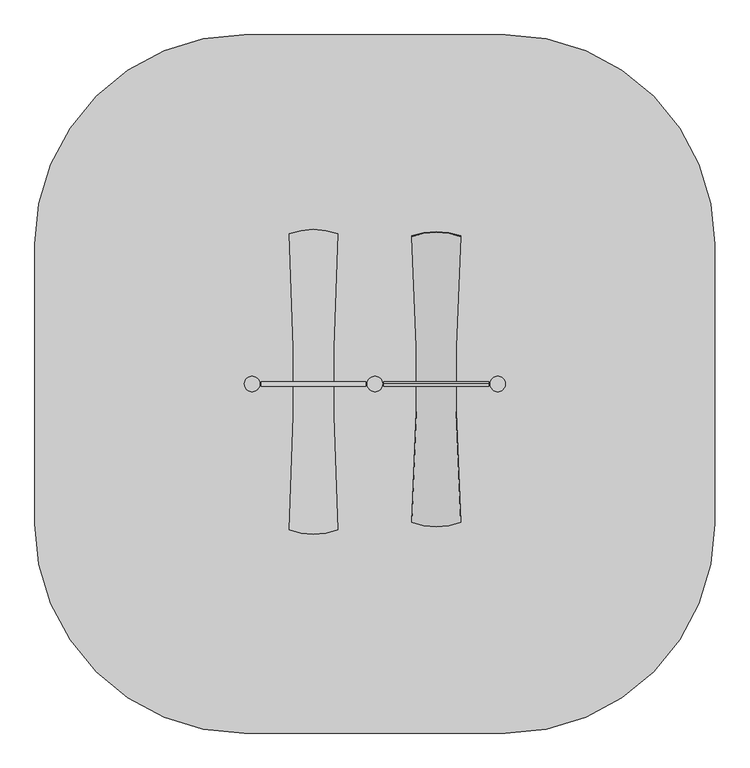
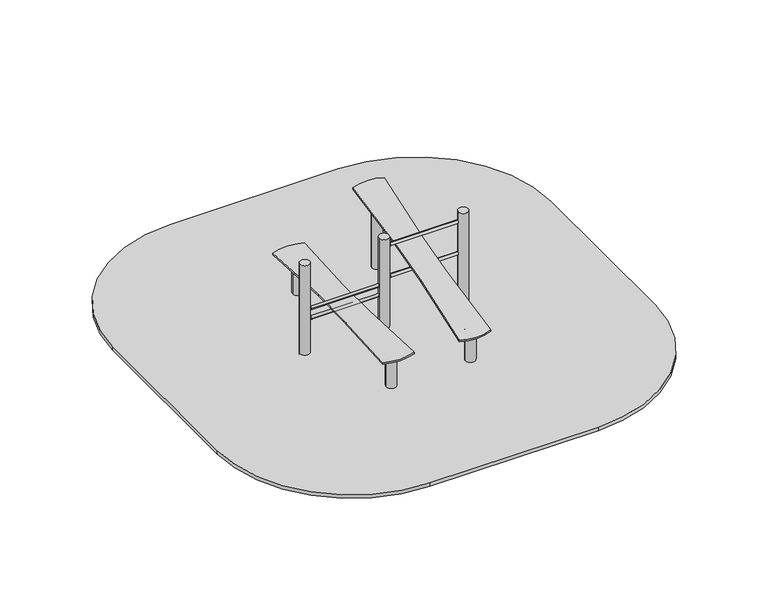
"""IFC4 building model written with IfcOpenShell, lengths in millimetres: furniture geometry."""

from ifc_helpers import new_model, si_unit, point, frame, frame_2d, origin, place, context, project, spatial, polyline, circle_curve, ellipse_curve, trimmed, segment, composite_curve, outline, extrude, source, transform, mapped, element, save
from ifc_brep_helpers import plane_surface, cylinder_surface, extruded_surface, advanced_brep


def furniture_f48595fb(model_context):
    return source(origin(), model_context, "Body", "SolidModel", [
        advanced_brep(
        [(1225.5, 277.4599432, -225.0), (1213.0, 277.4599432, -225.0), (1200.5, 277.4599432, -225.0), (1140.5, 217.4599432, -225.0), (1140.5, 192.4599432, -225.0), (1200.5, 132.4599432, -225.0), (1225.5, 132.4599432, -225.0), (1285.5, 192.4599432, -225.0), (1285.5, 217.4599432, -225.0), (1303.0, 355.0, -460.0), (1213.0, 355.0, -460.0), (1123.0, 355.0, -460.0), (1063.0, 295.0, -460.0), (1063.0, 115.0, -460.0), (1123.0, 55.0, -460.0), (1303.0, 55.0, -460.0), (1363.0, 115.0, -460.0), (1363.0, 295.0, -460.0), (1303.0, 355.0, -600.0), (1363.0, 295.0, -600.0), (1363.0, 115.0, -600.0), (1303.0, 55.0, -600.0), (1123.0, 55.0, -600.0), (1063.0, 115.0, -600.0), (1063.0, 295.0, -600.0), (1123.0, 355.0, -600.0), (1213.0, 355.0, -600.0)],
        [
            (0, 1),
            (1, 2),
            (2, 3, circle_curve(frame((1200.5, 217.4599432, -225.0), z_axis=(0.0, 0.0, 1.0), x_axis=(1.0, 0.0, 0.0)), 60.0)),
            (3, 4),
            (4, 5, circle_curve(frame((1200.5, 192.4599432, -225.0), z_axis=(0.0, 0.0, 1.0), x_axis=(1.0, 0.0, 0.0)), 60.0)),
            (5, 6),
            (6, 7, circle_curve(frame((1225.5, 192.4599432, -225.0), z_axis=(0.0, 0.0, 1.0), x_axis=(1.0, 0.0, 0.0)), 60.0)),
            (7, 8),
            (8, 0, circle_curve(frame((1225.5, 217.4599432, -225.0), z_axis=(0.0, 0.0, 1.0), x_axis=(1.0, 0.0, 0.0)), 60.0)),
            (0, 9),
            (9, 10),
            (10, 1),
            (10, 11),
            (11, 2),
            (11, 12, circle_curve(frame((1123.0, 295.0, -460.0), z_axis=(0.0, 0.0, 1.0), x_axis=(1.0, 0.0, 0.0)), 60.0)),
            (12, 3),
            (12, 13),
            (13, 4),
            (13, 14, circle_curve(frame((1123.0, 115.0, -460.0), z_axis=(0.0, 0.0, 1.0), x_axis=(1.0, 0.0, 0.0)), 60.0)),
            (14, 5),
            (14, 15),
            (15, 6),
            (15, 16, circle_curve(frame((1303.0, 115.0, -460.0), z_axis=(0.0, 0.0, 1.0), x_axis=(1.0, 0.0, 0.0)), 60.0)),
            (16, 7),
            (16, 17),
            (17, 8),
            (17, 9, circle_curve(frame((1303.0, 295.0, -460.0), z_axis=(0.0, 0.0, 1.0), x_axis=(1.0, 0.0, 0.0)), 60.0)),
            (18, 19, circle_curve(frame((1303.0, 295.0, -600.0), z_axis=(0.0, 0.0, -1.0), x_axis=(1.0, 0.0, 0.0)), 60.0)),
            (19, 20),
            (20, 21, circle_curve(frame((1303.0, 115.0, -600.0), z_axis=(0.0, 0.0, -1.0), x_axis=(1.0, 0.0, 0.0)), 60.0)),
            (21, 22),
            (22, 23, circle_curve(frame((1123.0, 115.0, -600.0), z_axis=(0.0, 0.0, -1.0), x_axis=(1.0, 0.0, 0.0)), 60.0)),
            (23, 24),
            (24, 25, circle_curve(frame((1123.0, 295.0, -600.0), z_axis=(0.0, 0.0, -1.0), x_axis=(1.0, 0.0, 0.0)), 60.0)),
            (25, 26),
            (26, 18),
            (26, 10),
            (9, 18),
            (25, 11),
            (23, 13),
            (12, 24),
            (21, 15),
            (14, 22),
            (19, 17),
            (16, 20),
        ],
        [
            plane_surface(frame((1213.0, 213.0154988, -225.0), z_axis=(0.0, 0.0, 1.0), x_axis=(-1.0, 0.0, 0.0))),
            plane_surface(frame((1219.25, 277.4599432, -225.0), z_axis=(0.0, 0.9496406059136844, 0.3133412191204512), x_axis=(1.0, 0.0, 0.0))),
            plane_surface(frame((1206.75, 277.4599432, -225.0), z_axis=(0.0, 0.9496406059136843, 0.3133412191204512), x_axis=(1.0, 0.0, 0.0))),
            extruded_surface(trimmed(circle_curve(frame((1200.5, 217.4599432, -225.0), z_axis=(0.0, 0.0, -1.0), x_axis=(1.0, 0.0, 0.0)), 60.0), [point((1140.5, 217.4599432, -225.0))], [point((1200.5, 277.4599432, -225.0))], True, "CARTESIAN"), (-77.5, 77.5400568, -235.0), 259.3139225119763),
            plane_surface(frame((1140.5, 204.9599432, -225.0), z_axis=(-0.9496887635303409, 0.0, 0.31319523052596476), x_axis=(0.0, 1.0, 0.0))),
            extruded_surface(trimmed(circle_curve(frame((1200.5, 192.4599432, -225.0), z_axis=(0.0, 0.0, -1.0), x_axis=(1.0, 0.0, 0.0)), 60.0), [point((1200.5, 132.4599432, -225.0))], [point((1140.5, 192.4599432, -225.0))], True, "CARTESIAN"), (-77.5, -77.4599432, -235.0), 259.2899782107809),
            plane_surface(frame((1213.0, 132.4599432, -225.0), z_axis=(0.0, -0.9497369035840961, 0.3130492197250991), x_axis=(-1.0, 0.0, 0.0))),
            extruded_surface(trimmed(circle_curve(frame((1225.5, 192.4599432, -225.0), z_axis=(0.0, 0.0, -1.0), x_axis=(1.0, 0.0, 0.0)), 60.0), [point((1285.5, 192.4599432, -225.0))], [point((1225.5, 132.4599432, -225.0))], True, "CARTESIAN"), (77.5, -77.4599432, -235.0), 259.2899782107809),
            plane_surface(frame((1285.5, 204.9599432, -225.0), z_axis=(0.9496887635303416, 0.0, 0.3131952305259627), x_axis=(0.0, -1.0, 0.0))),
            extruded_surface(trimmed(circle_curve(frame((1225.5, 217.4599432, -225.0), z_axis=(0.0, 0.0, -1.0), x_axis=(1.0, 0.0, 0.0)), 60.0), [point((1225.5, 277.4599432, -225.0))], [point((1285.5, 217.4599432, -225.0))], True, "CARTESIAN"), (77.5, 77.5400568, -235.0), 259.3139225119763),
            plane_surface(frame((1213.0, 355.0, -600.0), z_axis=(0.0, 0.0, -1.0), x_axis=(1.0, 0.0, 0.0))),
            plane_surface(frame((1303.0, 355.0, -460.0), z_axis=(0.0, 1.0, 0.0), x_axis=(0.0, 0.0, -1.0))),
            plane_surface(frame((1213.0, 355.0, -460.0), z_axis=(0.0, 1.0, 0.0), x_axis=(0.0, 0.0, -1.0))),
            plane_surface(frame((1063.0, 295.0, -460.0), z_axis=(-1.0, 0.0, 0.0), x_axis=(0.0, 0.0, -1.0))),
            plane_surface(frame((1123.0, 55.0, -460.0), z_axis=(0.0, -1.0, 0.0), x_axis=(0.0, 0.0, -1.0))),
            plane_surface(frame((1363.0, 115.0, -460.0), z_axis=(1.0, 0.0, 0.0), x_axis=(0.0, 0.0, -1.0))),
            cylinder_surface(frame((1123.0, 295.0, -600.0), z_axis=(0.0, 0.0, 1.0), x_axis=(1.0, 0.0, 0.0)), 60.0),
            cylinder_surface(frame((1123.0, 115.0, -600.0), z_axis=(0.0, 0.0, 1.0), x_axis=(1.0, 0.0, 0.0)), 60.0),
            cylinder_surface(frame((1303.0, 115.0, -600.0), z_axis=(0.0, 0.0, 1.0), x_axis=(1.0, 0.0, 0.0)), 60.0),
            cylinder_surface(frame((1303.0, 295.0, -600.0), z_axis=(0.0, 0.0, 1.0), x_axis=(1.0, 0.0, 0.0)), 60.0),
        ],
        [
            (0, [[1, 2, 3, 4, 5, 6, 7, 8, 9]]),
            (1, [[-1, 10, 11, 12]]),
            (2, [[-2, -12, 13, 14]]),
            (3, [[-3, -14, 15, 16]]),
            (4, [[-4, -16, 17, 18]]),
            (5, [[-5, -18, 19, 20]]),
            (6, [[-6, -20, 21, 22]]),
            (7, [[-7, -22, 23, 24]]),
            (8, [[-8, -24, 25, 26]]),
            (9, [[-9, -26, 27, -10]]),
            (10, [[28, 29, 30, 31, 32, 33, 34, 35, 36]]),
            (11, [[-36, 37, -11, 38]]),
            (12, [[-35, 39, -13, -37]]),
            (13, [[-33, 40, -17, 41]]),
            (14, [[-31, 42, -21, 43]]),
            (15, [[-29, 44, -25, 45]]),
            (16, [[-34, -41, -15, -39]]),
            (17, [[-32, -43, -19, -40]]),
            (18, [[-30, -45, -23, -42]]),
            (19, [[-28, -38, -27, -44]]),
        ],
    ),
        extrude(outline(composite_curve([segment(trimmed(circle_curve(frame_2d((1213.0, 205.0)), 55.0), [point((1158.0, 205.0))], [point((1268.0, 205.0))], False, "CARTESIAN"), True, "CONTINUOUS"), segment(trimmed(circle_curve(frame_2d((1213.0, 205.0)), 55.0), [point((1268.0, 205.0))], [point((1158.0, 205.0))], False, "CARTESIAN"), True, "CONTINUOUS")], self_intersect=False)), frame((0.0, 0.0, -600.0), z_axis=(0.0, 0.0, 1.0), x_axis=(1.0, 0.0, 0.0)), (0.0, 0.0, 1.0), 500.0),
        advanced_brep(
        [(345.5, 277.4599432, -225.0), (333.0, 277.4599432, -225.0), (320.5, 277.4599432, -225.0), (260.5, 217.4599432, -225.0), (260.5, 192.4599432, -225.0), (320.5, 132.4599432, -225.0), (345.5, 132.4599432, -225.0), (405.5, 192.4599432, -225.0), (405.5, 217.4599432, -225.0), (423.0, 355.0, -460.0), (333.0, 355.0, -460.0), (243.0, 355.0, -460.0), (183.0, 295.0, -460.0), (183.0, 115.0, -460.0), (243.0, 55.0, -460.0), (423.0, 55.0, -460.0), (483.0, 115.0, -460.0), (483.0, 295.0, -460.0), (423.0, 355.0, -600.0), (483.0, 295.0, -600.0), (483.0, 115.0, -600.0), (423.0, 55.0, -600.0), (243.0, 55.0, -600.0), (183.0, 115.0, -600.0), (183.0, 295.0, -600.0), (243.0, 355.0, -600.0), (333.0, 355.0, -600.0)],
        [
            (0, 1),
            (1, 2),
            (2, 3, circle_curve(frame((320.5, 217.4599432, -225.0), z_axis=(0.0, 0.0, 1.0), x_axis=(1.0, 0.0, 0.0)), 60.0)),
            (3, 4),
            (4, 5, circle_curve(frame((320.5, 192.4599432, -225.0), z_axis=(0.0, 0.0, 1.0), x_axis=(1.0, 0.0, 0.0)), 60.0)),
            (5, 6),
            (6, 7, circle_curve(frame((345.5, 192.4599432, -225.0), z_axis=(0.0, 0.0, 1.0), x_axis=(1.0, 0.0, 0.0)), 60.0)),
            (7, 8),
            (8, 0, circle_curve(frame((345.5, 217.4599432, -225.0), z_axis=(0.0, 0.0, 1.0), x_axis=(1.0, 0.0, 0.0)), 60.0)),
            (0, 9),
            (9, 10),
            (10, 1),
            (10, 11),
            (11, 2),
            (11, 12, circle_curve(frame((243.0, 295.0, -460.0), z_axis=(0.0, 0.0, 1.0), x_axis=(1.0, 0.0, 0.0)), 60.0)),
            (12, 3),
            (12, 13),
            (13, 4),
            (13, 14, circle_curve(frame((243.0, 115.0, -460.0), z_axis=(0.0, 0.0, 1.0), x_axis=(1.0, 0.0, 0.0)), 60.0)),
            (14, 5),
            (14, 15),
            (15, 6),
            (15, 16, circle_curve(frame((423.0, 115.0, -460.0), z_axis=(0.0, 0.0, 1.0), x_axis=(1.0, 0.0, 0.0)), 60.0)),
            (16, 7),
            (16, 17),
            (17, 8),
            (17, 9, circle_curve(frame((423.0, 295.0, -460.0), z_axis=(0.0, 0.0, 1.0), x_axis=(1.0, 0.0, 0.0)), 60.0)),
            (18, 19, circle_curve(frame((423.0, 295.0, -600.0), z_axis=(0.0, 0.0, -1.0), x_axis=(1.0, 0.0, 0.0)), 60.0)),
            (19, 20),
            (20, 21, circle_curve(frame((423.0, 115.0, -600.0), z_axis=(0.0, 0.0, -1.0), x_axis=(1.0, 0.0, 0.0)), 60.0)),
            (21, 22),
            (22, 23, circle_curve(frame((243.0, 115.0, -600.0), z_axis=(0.0, 0.0, -1.0), x_axis=(1.0, 0.0, 0.0)), 60.0)),
            (23, 24),
            (24, 25, circle_curve(frame((243.0, 295.0, -600.0), z_axis=(0.0, 0.0, -1.0), x_axis=(1.0, 0.0, 0.0)), 60.0)),
            (25, 26),
            (26, 18),
            (26, 10),
            (9, 18),
            (25, 11),
            (23, 13),
            (12, 24),
            (21, 15),
            (14, 22),
            (19, 17),
            (16, 20),
        ],
        [
            plane_surface(frame((333.0, 213.0154988, -225.0), z_axis=(0.0, 0.0, 1.0), x_axis=(-1.0, 0.0, 0.0))),
            plane_surface(frame((339.25, 277.4599432, -225.0), z_axis=(0.0, 0.9496406059136844, 0.3133412191204512), x_axis=(1.0, 0.0, 0.0))),
            plane_surface(frame((326.75, 277.4599432, -225.0), z_axis=(0.0, 0.9496406059136843, 0.3133412191204512), x_axis=(1.0, 0.0, 0.0))),
            extruded_surface(trimmed(circle_curve(frame((320.5, 217.4599432, -225.0), z_axis=(0.0, 0.0, -1.0), x_axis=(1.0, 0.0, 0.0)), 60.0), [point((260.5, 217.4599432, -225.0))], [point((320.5, 277.4599432, -225.0))], True, "CARTESIAN"), (-77.5, 77.5400568, -235.0), 259.3139225119763),
            plane_surface(frame((260.5, 204.9599432, -225.0), z_axis=(-0.9496887635303409, 0.0, 0.31319523052596476), x_axis=(0.0, 1.0, 0.0))),
            extruded_surface(trimmed(circle_curve(frame((320.5, 192.4599432, -225.0), z_axis=(0.0, 0.0, -1.0), x_axis=(1.0, 0.0, 0.0)), 60.0), [point((320.5, 132.4599432, -225.0))], [point((260.5, 192.4599432, -225.0))], True, "CARTESIAN"), (-77.5, -77.4599432, -235.0), 259.2899782107809),
            plane_surface(frame((333.0, 132.4599432, -225.0), z_axis=(0.0, -0.9497369035840961, 0.3130492197250991), x_axis=(-1.0, 0.0, 0.0))),
            extruded_surface(trimmed(circle_curve(frame((345.5, 192.4599432, -225.0), z_axis=(0.0, 0.0, -1.0), x_axis=(1.0, 0.0, 0.0)), 60.0), [point((405.5, 192.4599432, -225.0))], [point((345.5, 132.4599432, -225.0))], True, "CARTESIAN"), (77.5, -77.4599432, -235.0), 259.2899782107809),
            plane_surface(frame((405.5, 204.9599432, -225.0), z_axis=(0.9496887635303416, 0.0, 0.3131952305259627), x_axis=(0.0, -1.0, 0.0))),
            extruded_surface(trimmed(circle_curve(frame((345.5, 217.4599432, -225.0), z_axis=(0.0, 0.0, -1.0), x_axis=(1.0, 0.0, 0.0)), 60.0), [point((345.5, 277.4599432, -225.0))], [point((405.5, 217.4599432, -225.0))], True, "CARTESIAN"), (77.5, 77.5400568, -235.0), 259.3139225119763),
            plane_surface(frame((333.0, 355.0, -600.0), z_axis=(0.0, 0.0, -1.0), x_axis=(1.0, 0.0, 0.0))),
            plane_surface(frame((423.0, 355.0, -460.0), z_axis=(0.0, 1.0, 0.0), x_axis=(0.0, 0.0, -1.0))),
            plane_surface(frame((333.0, 355.0, -460.0), z_axis=(0.0, 1.0, 0.0), x_axis=(0.0, 0.0, -1.0))),
            plane_surface(frame((183.0, 295.0, -460.0), z_axis=(-1.0, 0.0, 0.0), x_axis=(0.0, 0.0, -1.0))),
            plane_surface(frame((243.0, 55.0, -460.0), z_axis=(0.0, -1.0, 0.0), x_axis=(0.0, 0.0, -1.0))),
            plane_surface(frame((483.0, 115.0, -460.0), z_axis=(1.0, 0.0, 0.0), x_axis=(0.0, 0.0, -1.0))),
            cylinder_surface(frame((243.0, 295.0, -600.0), z_axis=(0.0, 0.0, 1.0), x_axis=(1.0, 0.0, 0.0)), 60.0),
            cylinder_surface(frame((243.0, 115.0, -600.0), z_axis=(0.0, 0.0, 1.0), x_axis=(1.0, 0.0, 0.0)), 60.0),
            cylinder_surface(frame((423.0, 115.0, -600.0), z_axis=(0.0, 0.0, 1.0), x_axis=(1.0, 0.0, 0.0)), 60.0),
            cylinder_surface(frame((423.0, 295.0, -600.0), z_axis=(0.0, 0.0, 1.0), x_axis=(1.0, 0.0, 0.0)), 60.0),
        ],
        [
            (0, [[1, 2, 3, 4, 5, 6, 7, 8, 9]]),
            (1, [[-1, 10, 11, 12]]),
            (2, [[-2, -12, 13, 14]]),
            (3, [[-3, -14, 15, 16]]),
            (4, [[-4, -16, 17, 18]]),
            (5, [[-5, -18, 19, 20]]),
            (6, [[-6, -20, 21, 22]]),
            (7, [[-7, -22, 23, 24]]),
            (8, [[-8, -24, 25, 26]]),
            (9, [[-9, -26, 27, -10]]),
            (10, [[28, 29, 30, 31, 32, 33, 34, 35, 36]]),
            (11, [[-36, 37, -11, 38]]),
            (12, [[-35, 39, -13, -37]]),
            (13, [[-33, 40, -17, 41]]),
            (14, [[-31, 42, -21, 43]]),
            (15, [[-29, 44, -25, 45]]),
            (16, [[-34, -41, -15, -39]]),
            (17, [[-32, -43, -19, -40]]),
            (18, [[-30, -45, -23, -42]]),
            (19, [[-28, -38, -27, -44]]),
        ],
    ),
        extrude(outline(composite_curve([segment(trimmed(circle_curve(frame_2d((333.0, 205.0)), 55.0), [point((278.0, 205.0))], [point((388.0, 205.0))], False, "CARTESIAN"), True, "CONTINUOUS"), segment(trimmed(circle_curve(frame_2d((333.0, 205.0)), 55.0), [point((388.0, 205.0))], [point((278.0, 205.0))], False, "CARTESIAN"), True, "CONTINUOUS")], self_intersect=False)), frame((0.0, 0.0, -600.0), z_axis=(0.0, 0.0, 1.0), x_axis=(1.0, 0.0, 0.0)), (0.0, 0.0, 1.0), 500.0),
        advanced_brep(
        [(-534.5, 277.4599432, -225.0), (-547.0, 277.4599432, -225.0), (-559.5, 277.4599432, -225.0), (-619.5, 217.4599432, -225.0), (-619.5, 192.4599432, -225.0), (-559.5, 132.4599432, -225.0), (-534.5, 132.4599432, -225.0), (-474.5, 192.4599432, -225.0), (-474.5, 217.4599432, -225.0), (-457.0, 355.0, -460.0), (-547.0, 355.0, -460.0), (-637.0, 355.0, -460.0), (-697.0, 295.0, -460.0), (-697.0, 115.0, -460.0), (-637.0, 55.0, -460.0), (-457.0, 55.0, -460.0), (-397.0, 115.0, -460.0), (-397.0, 295.0, -460.0), (-457.0, 355.0, -600.0), (-397.0, 295.0, -600.0), (-397.0, 115.0, -600.0), (-457.0, 55.0, -600.0), (-637.0, 55.0, -600.0), (-697.0, 115.0, -600.0), (-697.0, 295.0, -600.0), (-637.0, 355.0, -600.0), (-547.0, 355.0, -600.0)],
        [
            (0, 1),
            (1, 2),
            (2, 3, circle_curve(frame((-559.5, 217.4599432, -225.0), z_axis=(0.0, 0.0, 1.0), x_axis=(1.0, 0.0, 0.0)), 60.0)),
            (3, 4),
            (4, 5, circle_curve(frame((-559.5, 192.4599432, -225.0), z_axis=(0.0, 0.0, 1.0), x_axis=(1.0, 0.0, 0.0)), 60.0)),
            (5, 6),
            (6, 7, circle_curve(frame((-534.5, 192.4599432, -225.0), z_axis=(0.0, 0.0, 1.0), x_axis=(1.0, 0.0, 0.0)), 60.0)),
            (7, 8),
            (8, 0, circle_curve(frame((-534.5, 217.4599432, -225.0), z_axis=(0.0, 0.0, 1.0), x_axis=(1.0, 0.0, 0.0)), 60.0)),
            (0, 9),
            (9, 10),
            (10, 1),
            (10, 11),
            (11, 2),
            (11, 12, circle_curve(frame((-637.0, 295.0, -460.0), z_axis=(0.0, 0.0, 1.0), x_axis=(1.0, 0.0, 0.0)), 60.0)),
            (12, 3),
            (12, 13),
            (13, 4),
            (13, 14, circle_curve(frame((-637.0, 115.0, -460.0), z_axis=(0.0, 0.0, 1.0), x_axis=(1.0, 0.0, 0.0)), 60.0)),
            (14, 5),
            (14, 15),
            (15, 6),
            (15, 16, circle_curve(frame((-457.0, 115.0, -460.0), z_axis=(0.0, 0.0, 1.0), x_axis=(1.0, 0.0, 0.0)), 60.0)),
            (16, 7),
            (16, 17),
            (17, 8),
            (17, 9, circle_curve(frame((-457.0, 295.0, -460.0), z_axis=(0.0, 0.0, 1.0), x_axis=(1.0, 0.0, 0.0)), 60.0)),
            (18, 19, circle_curve(frame((-457.0, 295.0, -600.0), z_axis=(0.0, 0.0, -1.0), x_axis=(1.0, 0.0, 0.0)), 60.0)),
            (19, 20),
            (20, 21, circle_curve(frame((-457.0, 115.0, -600.0), z_axis=(0.0, 0.0, -1.0), x_axis=(1.0, 0.0, 0.0)), 60.0)),
            (21, 22),
            (22, 23, circle_curve(frame((-637.0, 115.0, -600.0), z_axis=(0.0, 0.0, -1.0), x_axis=(1.0, 0.0, 0.0)), 60.0)),
            (23, 24),
            (24, 25, circle_curve(frame((-637.0, 295.0, -600.0), z_axis=(0.0, 0.0, -1.0), x_axis=(1.0, 0.0, 0.0)), 60.0)),
            (25, 26),
            (26, 18),
            (26, 10),
            (9, 18),
            (25, 11),
            (23, 13),
            (12, 24),
            (21, 15),
            (14, 22),
            (19, 17),
            (16, 20),
        ],
        [
            plane_surface(frame((-547.0, 213.0154988, -225.0), z_axis=(0.0, 0.0, 1.0), x_axis=(-1.0, 0.0, 0.0))),
            plane_surface(frame((-540.75, 277.4599432, -225.0), z_axis=(0.0, 0.9496406059136844, 0.3133412191204512), x_axis=(1.0, 0.0, 0.0))),
            plane_surface(frame((-553.25, 277.4599432, -225.0), z_axis=(0.0, 0.9496406059136843, 0.3133412191204512), x_axis=(1.0, 0.0, 0.0))),
            extruded_surface(trimmed(circle_curve(frame((-559.5, 217.4599432, -225.0), z_axis=(0.0, 0.0, -1.0), x_axis=(1.0, 0.0, 0.0)), 60.0), [point((-619.5, 217.4599432, -225.0))], [point((-559.5, 277.4599432, -225.0))], True, "CARTESIAN"), (-77.5, 77.5400568, -235.0), 259.3139225119763),
            plane_surface(frame((-619.5, 204.9599432, -225.0), z_axis=(-0.9496887635303409, 0.0, 0.31319523052596476), x_axis=(0.0, 1.0, 0.0))),
            extruded_surface(trimmed(circle_curve(frame((-559.5, 192.4599432, -225.0), z_axis=(0.0, 0.0, -1.0), x_axis=(1.0, 0.0, 0.0)), 60.0), [point((-559.5, 132.4599432, -225.0))], [point((-619.5, 192.4599432, -225.0))], True, "CARTESIAN"), (-77.5, -77.4599432, -235.0), 259.2899782107809),
            plane_surface(frame((-547.0, 132.4599432, -225.0), z_axis=(0.0, -0.9497369035840961, 0.3130492197250991), x_axis=(-1.0, 0.0, 0.0))),
            extruded_surface(trimmed(circle_curve(frame((-534.5, 192.4599432, -225.0), z_axis=(0.0, 0.0, -1.0), x_axis=(1.0, 0.0, 0.0)), 60.0), [point((-474.5, 192.4599432, -225.0))], [point((-534.5, 132.4599432, -225.0))], True, "CARTESIAN"), (77.5, -77.4599432, -235.0), 259.2899782107809),
            plane_surface(frame((-474.5, 204.9599432, -225.0), z_axis=(0.9496887635303416, 0.0, 0.3131952305259627), x_axis=(0.0, -1.0, 0.0))),
            extruded_surface(trimmed(circle_curve(frame((-534.5, 217.4599432, -225.0), z_axis=(0.0, 0.0, -1.0), x_axis=(1.0, 0.0, 0.0)), 60.0), [point((-534.5, 277.4599432, -225.0))], [point((-474.5, 217.4599432, -225.0))], True, "CARTESIAN"), (77.5, 77.5400568, -235.0), 259.3139225119763),
            plane_surface(frame((-547.0, 355.0, -600.0), z_axis=(0.0, 0.0, -1.0), x_axis=(1.0, 0.0, 0.0))),
            plane_surface(frame((-457.0, 355.0, -460.0), z_axis=(0.0, 1.0, 0.0), x_axis=(0.0, 0.0, -1.0))),
            plane_surface(frame((-547.0, 355.0, -460.0), z_axis=(0.0, 1.0, 0.0), x_axis=(0.0, 0.0, -1.0))),
            plane_surface(frame((-697.0, 295.0, -460.0), z_axis=(-1.0, 0.0, 0.0), x_axis=(0.0, 0.0, -1.0))),
            plane_surface(frame((-637.0, 55.0, -460.0), z_axis=(0.0, -1.0, 0.0), x_axis=(0.0, 0.0, -1.0))),
            plane_surface(frame((-397.0, 115.0, -460.0), z_axis=(1.0, 0.0, 0.0), x_axis=(0.0, 0.0, -1.0))),
            cylinder_surface(frame((-637.0, 295.0, -600.0), z_axis=(0.0, 0.0, 1.0), x_axis=(1.0, 0.0, 0.0)), 60.0),
            cylinder_surface(frame((-637.0, 115.0, -600.0), z_axis=(0.0, 0.0, 1.0), x_axis=(1.0, 0.0, 0.0)), 60.0),
            cylinder_surface(frame((-457.0, 115.0, -600.0), z_axis=(0.0, 0.0, 1.0), x_axis=(1.0, 0.0, 0.0)), 60.0),
            cylinder_surface(frame((-457.0, 295.0, -600.0), z_axis=(0.0, 0.0, 1.0), x_axis=(1.0, 0.0, 0.0)), 60.0),
        ],
        [
            (0, [[1, 2, 3, 4, 5, 6, 7, 8, 9]]),
            (1, [[-1, 10, 11, 12]]),
            (2, [[-2, -12, 13, 14]]),
            (3, [[-3, -14, 15, 16]]),
            (4, [[-4, -16, 17, 18]]),
            (5, [[-5, -18, 19, 20]]),
            (6, [[-6, -20, 21, 22]]),
            (7, [[-7, -22, 23, 24]]),
            (8, [[-8, -24, 25, 26]]),
            (9, [[-9, -26, 27, -10]]),
            (10, [[28, 29, 30, 31, 32, 33, 34, 35, 36]]),
            (11, [[-36, 37, -11, 38]]),
            (12, [[-35, 39, -13, -37]]),
            (13, [[-33, 40, -17, 41]]),
            (14, [[-31, 42, -21, 43]]),
            (15, [[-29, 44, -25, 45]]),
            (16, [[-34, -41, -15, -39]]),
            (17, [[-32, -43, -19, -40]]),
            (18, [[-30, -45, -23, -42]]),
            (19, [[-28, -38, -27, -44]]),
        ],
    ),
        extrude(outline(composite_curve([segment(trimmed(circle_curve(frame_2d((-547.0, 205.0)), 55.0), [point((-602.0, 205.0))], [point((-492.0, 205.0))], False, "CARTESIAN"), True, "CONTINUOUS"), segment(trimmed(circle_curve(frame_2d((-547.0, 205.0)), 55.0), [point((-492.0, 205.0))], [point((-602.0, 205.0))], False, "CARTESIAN"), True, "CONTINUOUS")], self_intersect=False)), frame((0.0, 0.0, -600.0), z_axis=(0.0, 0.0, 1.0), x_axis=(1.0, 0.0, 0.0)), (0.0, 0.0, 1.0), 500.0),
        advanced_brep(
        [(718.0, -695.0, -100.0), (828.0, -695.0, -100.0), (828.0, -695.0, 344.5775125), (718.0, -695.0, 344.5775125)],
        [
            (0, 1, circle_curve(frame((773.0, -695.0, -100.0), z_axis=(0.0, 0.0, -1.0), x_axis=(1.0, 0.0, 0.0)), 55.0)),
            (1, 0, circle_curve(frame((773.0, -695.0, -100.0), z_axis=(0.0, 0.0, -1.0), x_axis=(1.0, 0.0, 0.0)), 55.0)),
            (1, 2),
            (2, 3, ellipse_curve(frame((773.0, -695.0, 344.5775125), z_axis=(0.0, 0.2588190451025206, -0.9659258262890684), x_axis=(0.0, 0.9659258262890686, 0.2588190451025198)), 56.9401899, 55.0)),
            (3, 0),
            (3, 2, ellipse_curve(frame((773.0, -695.0, 344.5775125), z_axis=(0.0, 0.2588190451025206, -0.9659258262890684), x_axis=(0.0, 0.9659258262890686, 0.2588190451025198)), 56.9401899, 55.0)),
        ],
        [
            plane_surface(frame((828.0, -695.0, -100.0), z_axis=(0.0, 0.0, -1.0), x_axis=(0.0, -1.0, 0.0))),
            cylinder_surface(frame((773.0, -695.0, -100.0), z_axis=(0.0, 0.0, 1.0), x_axis=(1.0, 0.0, 0.0)), 55.0),
            plane_surface(frame((715.3365146, -635.0, 360.6544641), z_axis=(0.0, -0.2588190451025206, 0.9659258262890684), x_axis=(1.0, 0.0, 0.0))),
        ],
        [
            (0, [[1, 2]]),
            (1, [[-2, 3, 4, 5]]),
            (1, [[-1, -5, 6, -3]]),
            (2, [[-4, -6]]),
        ],
    ),
        advanced_brep(
        [(799.7550194, 1153.0538129, 841.6512469), (746.2449806, 1153.0538129, 841.6512469), (718.0, 1105.0, -100.0), (828.0, 1105.0, -100.0), (828.0, 1105.0, 828.7752665), (718.0, 1105.0, 828.7752665)],
        [
            (0, 1, circle_curve(frame((773.0, 1105.0, 841.6512469), z_axis=(0.0, 0.0, 1.0), x_axis=(1.0, 0.0, 0.0)), 55.0)),
            (1, 0),
            (2, 3, circle_curve(frame((773.0, 1105.0, -100.0), z_axis=(0.0, 0.0, -1.0), x_axis=(1.0, 0.0, 0.0)), 55.0)),
            (3, 2, circle_curve(frame((773.0, 1105.0, -100.0), z_axis=(0.0, 0.0, -1.0), x_axis=(1.0, 0.0, 0.0)), 55.0)),
            (3, 4),
            (4, 5, ellipse_curve(frame((773.0, 1105.0, 828.7752665), z_axis=(0.0, 0.2588190451025196, -0.9659258262890686), x_axis=(0.0, 0.9659258262890686, 0.25881904510251946)), 56.9401899, 55.0)),
            (5, 2),
            (5, 1, ellipse_curve(frame((773.0, 1105.0, 828.7752665), z_axis=(0.0, 0.2588190451025196, -0.9659258262890686), x_axis=(0.0, 0.9659258262890686, 0.25881904510251946)), 56.9401899, 55.0)),
            (0, 4, ellipse_curve(frame((773.0, 1105.0, 828.7752665), z_axis=(0.0, 0.2588190451025196, -0.9659258262890686), x_axis=(0.0, 0.9659258262890686, 0.25881904510251946)), 56.9401899, 55.0)),
        ],
        [
            plane_surface(frame((828.0, 1105.0, 841.6512469), z_axis=(0.0, 0.0, 1.0), x_axis=(0.0, 1.0, 0.0))),
            plane_surface(frame((828.0, 1105.0, -100.0), z_axis=(0.0, 0.0, -1.0), x_axis=(0.0, -1.0, 0.0))),
            cylinder_surface(frame((773.0, 1105.0, -100.0), z_axis=(0.0, 0.0, 1.0), x_axis=(1.0, 0.0, 0.0)), 55.0),
            plane_surface(frame((715.3365146, 1165.0, 844.8522181), z_axis=(0.0, -0.2588190451025196, 0.9659258262890686), x_axis=(1.0, 0.0, 0.0))),
        ],
        [
            (0, [[1, 2]]),
            (1, [[3, 4]]),
            (2, [[-4, 5, 6, 7]]),
            (2, [[-3, -7, 8, -1, 9, -5]]),
            (3, [[-2, -8, -6, -9]]),
        ],
    ),
        extrude(outline(composite_curve([segment(trimmed(circle_curve(frame_2d((1268.0, 1205.0)), 1500.0), [point((1268.0, 2705.0))], [point((2768.0, 1205.0))], False, "CARTESIAN"), True, "CONTINUOUS"), segment(polyline([(2768.0, 1205.0), (2768.0, -795.0)]), True, "CONTINUOUS"), segment(trimmed(circle_curve(frame_2d((1268.0, -795.0)), 1500.0), [point((2768.0, -795.0))], [point((1268.0, -2295.0))], False, "CARTESIAN"), True, "CONTINUOUS"), segment(polyline([(1268.0, -2295.0), (-602.0, -2295.0)]), True, "CONTINUOUS"), segment(trimmed(circle_curve(frame_2d((-602.0, -795.0)), 1500.0), [point((-602.0, -2295.0))], [point((-2102.0, -795.0))], False, "CARTESIAN"), True, "CONTINUOUS"), segment(polyline([(-2102.0, -795.0), (-2102.0, 1205.0)]), True, "CONTINUOUS"), segment(trimmed(circle_curve(frame_2d((-602.0, 1205.0)), 1500.0), [point((-2102.0, 1205.0))], [point((-602.0, 2705.0))], False, "CARTESIAN"), True, "CONTINUOUS"), segment(polyline([(-602.0, 2705.0), (1268.0, 2705.0)]), True, "CONTINUOUS")], self_intersect=False)), frame((0.0, 0.0, -40.0), z_axis=(0.0, 0.0, 1.0), x_axis=(1.0, 0.0, 0.0)), (0.0, 0.0, 1.0), 41.0),
        extrude(outline(composite_curve([segment(polyline([(175.0, -31.0), (144.156886, -848.3425212)]), True, "CONTINUOUS"), segment(trimmed(circle_curve(frame_2d((6574.5800717, -1090.9999999)), 6435.0), [point((144.156886, -848.3425212))], [point((144.156886, -1333.6574787))], True, "CARTESIAN"), True, "CONTINUOUS"), segment(polyline([(144.156886, -1333.6574787), (175.0, -2150.9999999)]), True, "CONTINUOUS"), segment(trimmed(circle_curve(frame_2d((0.0, -1672.5483871)), 509.4516129), [point((175.0, -2150.9999999))], [point((-175.0, -2150.9999999))], False, "CARTESIAN"), True, "CONTINUOUS"), segment(polyline([(-175.0, -2150.9999999), (-144.156886, -1333.6574787)]), True, "CONTINUOUS"), segment(trimmed(circle_curve(frame_2d((-6574.5800718, -1090.9999999)), 6435.0), [point((-144.156886, -1333.6574787))], [point((-144.156886, -848.3425212))], True, "CARTESIAN"), True, "CONTINUOUS"), segment(polyline([(-144.156886, -848.3425212), (-175.0, -31.0)]), True, "CONTINUOUS"), segment(trimmed(circle_curve(frame_2d((0.0, -509.4516129)), 509.4516129), [point((-175.0, -31.0))], [point((175.0, -31.0))], False, "CARTESIAN"), True, "CONTINUOUS")], self_intersect=False)), frame((773.00127, 1295.8613204, 878.1915876), z_axis=(0.0, -0.2588190451025206, 0.9659258262890684), x_axis=(1.0, 0.0, 0.0)), (0.0, 0.0, 1.0), 18.0),
        extrude(outline(composite_curve([segment(polyline([(68.00127, 1280.4987001), (37.158156, 463.1561788)]), True, "CONTINUOUS"), segment(trimmed(circle_curve(frame_2d((6467.5813417, 220.4987001)), 6435.0), [point((37.158156, 463.1561788))], [point((37.158156, -22.1587786))], True, "CARTESIAN"), True, "CONTINUOUS"), segment(polyline([(37.158156, -22.1587786), (68.00127, -839.5012999)]), True, "CONTINUOUS"), segment(trimmed(circle_curve(frame_2d((-106.99873, -361.049687)), 509.4516129), [point((68.00127, -839.5012999))], [point((-281.99873, -839.5012999))], False, "CARTESIAN"), True, "CONTINUOUS"), segment(polyline([(-281.99873, -839.5012999), (-251.155616, -22.1587786)]), True, "CONTINUOUS"), segment(trimmed(circle_curve(frame_2d((-6681.5788018, 220.4987001)), 6435.0), [point((-251.155616, -22.1587786))], [point((-251.155616, 463.1561788))], True, "CARTESIAN"), True, "CONTINUOUS"), segment(polyline([(-251.155616, 463.1561788), (-281.99873, 1280.4987001)]), True, "CONTINUOUS"), segment(trimmed(circle_curve(frame_2d((-106.99873, 802.0470872)), 509.4516129), [point((-281.99873, 1280.4987001))], [point((68.00127, 1280.4987001))], False, "CARTESIAN"), True, "CONTINUOUS")], self_intersect=False)), frame((0.0, 0.0, 400.0), z_axis=(0.0, 0.0, 1.0), x_axis=(1.0, 0.0, 0.0)), (0.0, 0.0, 1.0), 18.0),
        extrude(outline(composite_curve([segment(trimmed(circle_curve(frame_2d((205.0, 568.125)), 17.0), [point((205.0, 585.125))], [point((205.0, 551.125))], False, "CARTESIAN"), True, "CONTINUOUS"), segment(trimmed(circle_curve(frame_2d((205.0, 568.125)), 17.0), [point((205.0, 551.125))], [point((205.0, 585.125))], False, "CARTESIAN"), True, "CONTINUOUS")], self_intersect=False)), frame((397.7607422, 0.0, 0.0), z_axis=(1.0, 0.0, 0.0), x_axis=(0.0, 1.0, 0.0)), (0.0, 0.0, 1.0), 750.472374),
        extrude(outline(composite_curve([segment(trimmed(circle_curve(frame_2d((205.0, 940.0)), 17.0), [point((205.0, 957.0))], [point((205.0, 923.0))], False, "CARTESIAN"), True, "CONTINUOUS"), segment(trimmed(circle_curve(frame_2d((205.0, 940.0)), 17.0), [point((205.0, 923.0))], [point((205.0, 957.0))], False, "CARTESIAN"), True, "CONTINUOUS")], self_intersect=False)), frame((397.7607422, 0.0, 0.0), z_axis=(1.0, 0.0, 0.0), x_axis=(0.0, 1.0, 0.0)), (0.0, 0.0, 1.0), 750.472374),
        extrude(outline(composite_curve([segment(trimmed(circle_curve(frame_2d((-107.0, 1105.0)), 55.0), [point((-162.0, 1105.0))], [point((-52.0, 1105.0))], False, "CARTESIAN"), True, "CONTINUOUS"), segment(trimmed(circle_curve(frame_2d((-107.0, 1105.0)), 55.0), [point((-52.0, 1105.0))], [point((-162.0, 1105.0))], False, "CARTESIAN"), True, "CONTINUOUS")], self_intersect=False)), frame((0.0, 0.0, -100.0), z_axis=(0.0, 0.0, 1.0), x_axis=(1.0, 0.0, 0.0)), (0.0, 0.0, 1.0), 500.0),
        extrude(outline(composite_curve([segment(trimmed(circle_curve(frame_2d((-107.0, -695.0)), 55.0), [point((-162.0, -695.0))], [point((-52.0, -695.0))], False, "CARTESIAN"), True, "CONTINUOUS"), segment(trimmed(circle_curve(frame_2d((-107.0, -695.0)), 55.0), [point((-52.0, -695.0))], [point((-162.0, -695.0))], False, "CARTESIAN"), True, "CONTINUOUS")], self_intersect=False)), frame((0.0, 0.0, -100.0), z_axis=(0.0, 0.0, 1.0), x_axis=(1.0, 0.0, 0.0)), (0.0, 0.0, 1.0), 500.0),
        extrude(outline(composite_curve([segment(trimmed(circle_curve(frame_2d((-547.0, 205.0)), 55.0), [point((-602.0, 205.0))], [point((-492.0, 205.0))], False, "CARTESIAN"), True, "CONTINUOUS"), segment(trimmed(circle_curve(frame_2d((-547.0, 205.0)), 55.0), [point((-492.0, 205.0))], [point((-602.0, 205.0))], False, "CARTESIAN"), True, "CONTINUOUS")], self_intersect=False)), frame((0.0, 0.0, -100.0), z_axis=(0.0, 0.0, 1.0), x_axis=(1.0, 0.0, 0.0)), (0.0, 0.0, 1.0), 1150.0),
        extrude(outline(composite_curve([segment(trimmed(circle_curve(frame_2d((333.0, 205.0)), 55.0), [point((278.0, 205.0))], [point((388.0, 205.0))], False, "CARTESIAN"), True, "CONTINUOUS"), segment(trimmed(circle_curve(frame_2d((333.0, 205.0)), 55.0), [point((388.0, 205.0))], [point((278.0, 205.0))], False, "CARTESIAN"), True, "CONTINUOUS")], self_intersect=False)), frame((0.0, 0.0, -100.0), z_axis=(0.0, 0.0, 1.0), x_axis=(1.0, 0.0, 0.0)), (0.0, 0.0, 1.0), 1150.0),
        extrude(outline(composite_curve([segment(trimmed(circle_curve(frame_2d((1213.0, 205.0)), 55.0), [point((1158.0, 205.0))], [point((1268.0, 205.0))], False, "CARTESIAN"), True, "CONTINUOUS"), segment(trimmed(circle_curve(frame_2d((1213.0, 205.0)), 55.0), [point((1268.0, 205.0))], [point((1158.0, 205.0))], False, "CARTESIAN"), True, "CONTINUOUS")], self_intersect=False)), frame((0.0, 0.0, -100.0), z_axis=(0.0, 0.0, 1.0), x_axis=(1.0, 0.0, 0.0)), (0.0, 0.0, 1.0), 1150.0),
        extrude(outline(composite_curve([segment(trimmed(circle_curve(frame_2d((205.0, 498.0)), 17.0), [point((188.0, 498.0))], [point((222.0, 498.0))], False, "CARTESIAN"), True, "CONTINUOUS"), segment(trimmed(circle_curve(frame_2d((205.0, 498.0)), 17.0), [point((222.0, 498.0))], [point((188.0, 498.0))], False, "CARTESIAN"), True, "CONTINUOUS")], self_intersect=False)), frame((-482.2163968, 0.0, 0.0), z_axis=(1.0, 0.0, 0.0), x_axis=(0.0, 1.0, 0.0)), (0.0, 0.0, 1.0), 750.465988),
        extrude(outline(composite_curve([segment(trimmed(circle_curve(frame_2d((205.0, 382.6875)), 17.0), [point((188.0, 382.6875))], [point((222.0, 382.6875))], False, "CARTESIAN"), True, "CONTINUOUS"), segment(trimmed(circle_curve(frame_2d((205.0, 382.6875)), 17.0), [point((222.0, 382.6875))], [point((188.0, 382.6875))], False, "CARTESIAN"), True, "CONTINUOUS")], self_intersect=False)), frame((-482.2163968, 0.0, 0.0), z_axis=(1.0, 0.0, 0.0), x_axis=(0.0, 1.0, 0.0)), (0.0, 0.0, 1.0), 750.465988),
    ])


if __name__ == "__main__":
    model = new_model("IFC4")
    model_context = context("Model", 3, world=origin())
    ifc_project = project(units=[si_unit("LENGTHUNIT", "METRE", prefix="MILLI")], contexts=[model_context])
    site = spatial("IfcSite", under=ifc_project)
    building = spatial("IfcBuilding", under=site)
    placement = place(None, origin())
    furniture_shape = furniture_f48595fb(model_context)
    element("IfcFurniture", 1, at=placement, inside=building, context=model_context, shape_type="MappedRepresentation", body=[
        mapped(furniture_shape, transform((0.0, 0.0, 0.0), x_axis=(1.0, 0.0, 0.0), y_axis=(0.0, 1.0, 0.0), z_axis=(0.0, 0.0, 1.0))),
    ])
    save(model, "model.ifc")
